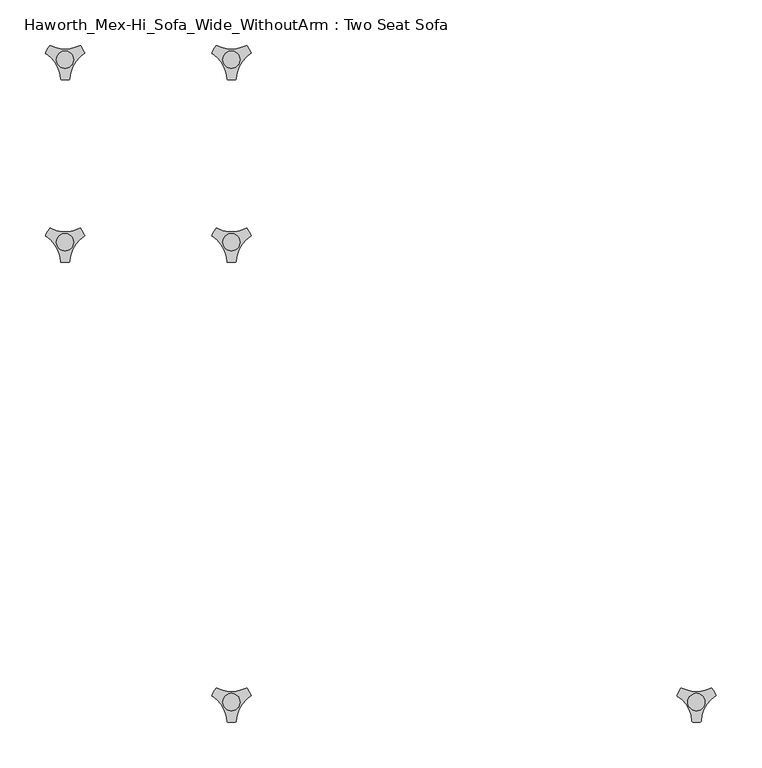
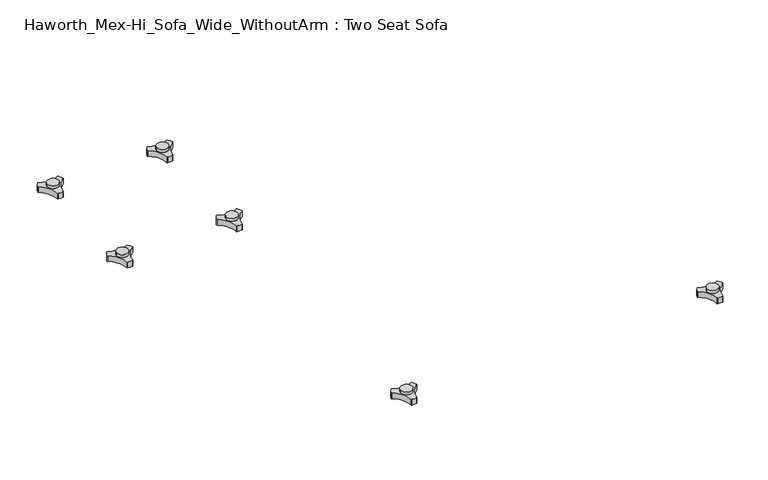
"""IFC4 building model written with IfcOpenShell, lengths in millimetres: furniture geometry, Haworth_Mex-Hi_Sofa_Wide_WithoutArm : Two Seat Sofa."""

from ifc_helpers import new_model, si_unit, frame, origin, place, context, project, spatial, polyline, circle_curve, source, transform, mapped, element, save
from ifc_brep_helpers import plane_surface, cylinder_surface, revolved_surface, advanced_brep


def haworth_mex_hi_sofa_wide_withoutarm_two_seat_sofa_53b7d27d(model_context):
    return source(origin(), model_context, "Body", "AdvancedBrep", [
        advanced_brep(
        [(883.5433829, -633.9963447, 98.611642), (879.3207947, -641.3100819, 98.611642), (879.7187435, -642.4761133, 98.611642), (895.5380143, -669.8758983, 98.611642), (896.3488478, -670.8035397, 98.611642), (904.7940264, -670.8035397, 98.611642), (905.5985546, -669.7137583, 98.611642), (921.7008076, -642.2119553, 98.611642), (921.8220847, -641.3100836, 98.611642), (917.5994947, -633.9963432, 98.611642), (916.3907113, -633.7579584, 98.611642), (884.7521628, -633.7579584, 98.611642), (909.9443136, -648.9168654, 98.611642), (891.0393017, -648.9168654, 98.611642), (883.5433829, -633.9963447, 88.6531552), (884.7521628, -633.7579584, 88.6531552), (916.3907113, -633.7579584, 88.6531552), (917.5994947, -633.9963432, 88.6531552), (921.8220847, -641.3100836, 88.6531552), (921.7008076, -642.2119553, 88.6531552), (905.5985546, -669.7137583, 88.6531552), (904.7940264, -670.8035397, 88.6531552), (896.3488478, -670.8035397, 88.6531552), (895.5380143, -669.8758983, 88.6531552), (879.7187435, -642.4761133, 88.6531552), (879.3207947, -641.3100819, 88.6531552), (891.0393017, -648.9168654, 103.6569541), (909.9443136, -648.9168654, 103.6569541)],
        [
            (0, 1, circle_curve(frame((901.8028709, -649.4142898, 98.611642), z_axis=(0.0, 0.0, 1.0), x_axis=(1.0, 0.0, 0.0)), 23.8981576)),
            (1, 2, circle_curve(frame((880.2483533, -641.6444428, 98.611642), z_axis=(0.0, 0.0, 1.0), x_axis=(1.0, 0.0, 0.0)), 0.9859828)),
            (2, 3, circle_curve(frame((861.3233736, -671.3632053, 98.611642), z_axis=(0.0, 0.0, -1.0), x_axis=(1.0, 0.0, 0.0)), 34.246952)),
            (3, 4, circle_curve(frame((896.5230576, -669.8330785, 98.611642), z_axis=(0.0, 0.0, 1.0), x_axis=(1.0, 0.0, 0.0)), 0.9859736)),
            (4, 5, circle_curve(frame((900.5714371, -647.2809943, 98.611642), z_axis=(0.0, 0.0, 1.0), x_axis=(1.0, 0.0, 0.0)), 23.8985439)),
            (5, 6, circle_curve(frame((904.6198145, -669.8330671, 98.611642), z_axis=(0.0, 0.0, 1.0), x_axis=(1.0, 0.0, 0.0)), 0.9859852)),
            (6, 7, circle_curve(frame((939.8202282, -671.285662, 98.611642), z_axis=(0.0, 0.0, -1.0), x_axis=(1.0, 0.0, 0.0)), 34.2577557)),
            (7, 8, circle_curve(frame((920.8945232, -641.644442, 98.611642), z_axis=(0.0, 0.0, 1.0), x_axis=(1.0, 0.0, 0.0)), 0.9859847)),
            (8, 9, circle_curve(frame((899.3403943, -649.4140667, 98.611642), z_axis=(0.0, 0.0, 1.0), x_axis=(1.0, 0.0, 0.0)), 23.8977184)),
            (9, 10, circle_curve(frame((916.8461485, -634.632458, 98.611642), z_axis=(0.0, 0.0, 1.0), x_axis=(1.0, 0.0, 0.0)), 0.9859881)),
            (10, 11, circle_curve(frame((900.5714371, -603.3828618, 98.611642), z_axis=(0.0, 0.0, -1.0), x_axis=(1.0, 0.0, 0.0)), 34.2475683)),
            (11, 0, circle_curve(frame((884.2967278, -634.632454, 98.611642), z_axis=(0.0, 0.0, 1.0), x_axis=(1.0, 0.0, 0.0)), 0.9859835)),
            (12, 13, circle_curve(frame((900.4918076, -648.9168654, 98.611642), z_axis=(0.0, 0.0, -1.0), x_axis=(1.0, 0.0, 0.0)), 9.452506)),
            (13, 12, circle_curve(frame((900.4918076, -648.9168654, 98.611642), z_axis=(0.0, 0.0, -1.0), x_axis=(1.0, 0.0, 0.0)), 9.452506)),
            (14, 15, circle_curve(frame((884.2967278, -634.632454, 88.6531552), z_axis=(0.0, 0.0, -1.0), x_axis=(1.0, 0.0, 0.0)), 0.9859835)),
            (15, 16, circle_curve(frame((900.5714371, -603.3828618, 88.6531552), z_axis=(0.0, 0.0, 1.0), x_axis=(1.0, 0.0, 0.0)), 34.2475683)),
            (16, 17, circle_curve(frame((916.8461485, -634.632458, 88.6531552), z_axis=(0.0, 0.0, -1.0), x_axis=(1.0, 0.0, 0.0)), 0.9859881)),
            (17, 18, circle_curve(frame((899.3403943, -649.4140667, 88.6531552), z_axis=(0.0, 0.0, -1.0), x_axis=(1.0, 0.0, 0.0)), 23.8977184)),
            (18, 19, circle_curve(frame((920.8945232, -641.644442, 88.6531552), z_axis=(0.0, 0.0, -1.0), x_axis=(1.0, 0.0, 0.0)), 0.9859847)),
            (19, 20, circle_curve(frame((939.8202282, -671.285662, 88.6531552), z_axis=(0.0, 0.0, 1.0), x_axis=(1.0, 0.0, 0.0)), 34.2577557)),
            (20, 21, circle_curve(frame((904.6198145, -669.8330671, 88.6531552), z_axis=(0.0, 0.0, -1.0), x_axis=(1.0, 0.0, 0.0)), 0.9859852)),
            (21, 22, circle_curve(frame((900.5714371, -647.2809943, 88.6531552), z_axis=(0.0, 0.0, -1.0), x_axis=(1.0, 0.0, 0.0)), 23.8985439)),
            (22, 23, circle_curve(frame((896.5230576, -669.8330785, 88.6531552), z_axis=(0.0, 0.0, -1.0), x_axis=(1.0, 0.0, 0.0)), 0.9859736)),
            (23, 24, circle_curve(frame((861.3233736, -671.3632053, 88.6531552), z_axis=(0.0, 0.0, 1.0), x_axis=(1.0, 0.0, 0.0)), 34.246952)),
            (24, 25, circle_curve(frame((880.2483533, -641.6444428, 88.6531552), z_axis=(0.0, 0.0, -1.0), x_axis=(1.0, 0.0, 0.0)), 0.9859828)),
            (25, 14, circle_curve(frame((901.8028709, -649.4142898, 88.6531552), z_axis=(0.0, 0.0, -1.0), x_axis=(1.0, 0.0, 0.0)), 23.8981576)),
            (26, 27, circle_curve(frame((900.4918076, -648.9168654, 103.6569541), z_axis=(0.0, 0.0, 1.0), x_axis=(1.0, 0.0, 0.0)), 9.452506)),
            (27, 26, circle_curve(frame((900.4918076, -648.9168654, 103.6569541), z_axis=(0.0, 0.0, 1.0), x_axis=(1.0, 0.0, 0.0)), 9.452506)),
            (0, 14),
            (25, 1),
            (24, 2),
            (23, 3),
            (22, 4),
            (21, 5),
            (20, 6),
            (19, 7),
            (18, 8),
            (17, 9),
            (16, 10),
            (15, 11),
            (26, 13),
            (12, 27),
        ],
        [
            plane_surface(frame((925.7010285, -649.4142898, 98.611642), z_axis=(0.0, 0.0, 1.0), x_axis=(0.0, 1.0, 0.0))),
            plane_surface(frame((925.7010285, -649.4142898, 88.6531552), z_axis=(0.0, 0.0, -1.0), x_axis=(0.0, -1.0, 0.0))),
            plane_surface(frame((909.9443136, -648.9168654, 103.6569541), z_axis=(0.0, 0.0, 1.0), x_axis=(0.0, 1.0, 0.0))),
            cylinder_surface(frame((901.8028709, -649.4142898, 88.6531552), z_axis=(0.0, 0.0, 1.0), x_axis=(1.0, 0.0, 0.0)), 23.8981576),
            cylinder_surface(frame((880.2483533, -641.6444428, 88.6531552), z_axis=(0.0, 0.0, 1.0), x_axis=(1.0, 0.0, 0.0)), 0.9859828),
            revolved_surface(polyline([(895.5703255999999, -671.3632053, 88.6531552), (895.5703255999999, -671.3632053, 98.611642)]), (861.3233736, -671.3632053, 88.6531552), (0.0, 0.0, -1.0)),
            cylinder_surface(frame((896.5230576, -669.8330785, 88.6531552), z_axis=(0.0, 0.0, 1.0), x_axis=(1.0, 0.0, 0.0)), 0.9859736),
            cylinder_surface(frame((900.5714371, -647.2809943, 88.6531552), z_axis=(0.0, 0.0, 1.0), x_axis=(1.0, 0.0, 0.0)), 23.8985439),
            cylinder_surface(frame((904.6198145, -669.8330671, 88.6531552), z_axis=(0.0, 0.0, 1.0), x_axis=(1.0, 0.0, 0.0)), 0.9859852),
            revolved_surface(polyline([(974.0779838999999, -671.285662, 88.6531552), (974.0779838999999, -671.285662, 98.611642)]), (939.8202282, -671.285662, 88.6531552), (0.0, 0.0, -1.0)),
            cylinder_surface(frame((920.8945232, -641.644442, 88.6531552), z_axis=(0.0, 0.0, 1.0), x_axis=(1.0, 0.0, 0.0)), 0.9859847),
            cylinder_surface(frame((899.3403943, -649.4140667, 88.6531552), z_axis=(0.0, 0.0, 1.0), x_axis=(1.0, 0.0, 0.0)), 23.8977184),
            cylinder_surface(frame((916.8461485, -634.632458, 88.6531552), z_axis=(0.0, 0.0, 1.0), x_axis=(1.0, 0.0, 0.0)), 0.9859881),
            revolved_surface(polyline([(934.8190054, -603.3828618, 88.6531552), (934.8190054, -603.3828618, 98.611642)]), (900.5714371, -603.3828618, 88.6531552), (0.0, 0.0, -1.0)),
            cylinder_surface(frame((884.2967278, -634.632454, 88.6531552), z_axis=(0.0, 0.0, 1.0), x_axis=(1.0, 0.0, 0.0)), 0.9859835),
            cylinder_surface(frame((900.4918076, -648.9168654, 98.611642), z_axis=(0.0, 0.0, 1.0), x_axis=(1.0, 0.0, 0.0)), 9.452506),
        ],
        [
            (0, [[1, 2, 3, 4, 5, 6, 7, 8, 9, 10, 11, 12], [13, 14]]),
            (1, [[15, 16, 17, 18, 19, 20, 21, 22, 23, 24, 25, 26]]),
            (2, [[27, 28]]),
            (3, [[-1, 29, -26, 30]]),
            (4, [[-2, -30, -25, 31]]),
            (5, [[-3, -31, -24, 32]]),
            (6, [[-4, -32, -23, 33]]),
            (7, [[-5, -33, -22, 34]]),
            (8, [[-6, -34, -21, 35]]),
            (9, [[-7, -35, -20, 36]]),
            (10, [[-8, -36, -19, 37]]),
            (11, [[-9, -37, -18, 38]]),
            (12, [[-10, -38, -17, 39]]),
            (13, [[-11, -39, -16, 40]]),
            (14, [[-12, -40, -15, -29]]),
            (15, [[-27, 41, -13, 42]]),
            (15, [[-28, -42, -14, -41]]),
        ],
    ),
        advanced_brep(
        [(373.838792, -633.9963447, 98.611642), (369.6162038, -641.3100819, 98.611642), (370.0141527, -642.4761133, 98.611642), (385.8334234, -669.8758983, 98.611642), (386.6442569, -670.8035397, 98.611642), (395.0894355, -670.8035397, 98.611642), (395.8939637, -669.7137583, 98.611642), (411.9962168, -642.2119553, 98.611642), (412.1174938, -641.3100836, 98.611642), (407.8949039, -633.9963432, 98.611642), (406.6861204, -633.7579584, 98.611642), (375.047572, -633.7579584, 98.611642), (400.2397227, -648.9168654, 98.611642), (381.3347108, -648.9168654, 98.611642), (373.838792, -633.9963447, 88.6531552), (375.047572, -633.7579584, 88.6531552), (406.6861204, -633.7579584, 88.6531552), (407.8949039, -633.9963432, 88.6531552), (412.1174938, -641.3100836, 88.6531552), (411.9962168, -642.2119553, 88.6531552), (395.8939637, -669.7137583, 88.6531552), (395.0894355, -670.8035397, 88.6531552), (386.6442569, -670.8035397, 88.6531552), (385.8334234, -669.8758983, 88.6531552), (370.0141527, -642.4761133, 88.6531552), (369.6162038, -641.3100819, 88.6531552), (381.3347108, -648.9168654, 103.6569541), (400.2397227, -648.9168654, 103.6569541)],
        [
            (0, 1, circle_curve(frame((392.09828, -649.4142898, 98.611642), z_axis=(0.0, 0.0, 1.0), x_axis=(1.0, 0.0, 0.0)), 23.8981576)),
            (1, 2, circle_curve(frame((370.5437624, -641.6444428, 98.611642), z_axis=(0.0, 0.0, 1.0), x_axis=(1.0, 0.0, 0.0)), 0.9859828)),
            (2, 3, circle_curve(frame((351.6187827, -671.3632053, 98.611642), z_axis=(0.0, 0.0, -1.0), x_axis=(1.0, 0.0, 0.0)), 34.246952)),
            (3, 4, circle_curve(frame((386.8184668, -669.8330785, 98.611642), z_axis=(0.0, 0.0, 1.0), x_axis=(1.0, 0.0, 0.0)), 0.9859736)),
            (4, 5, circle_curve(frame((390.8668462, -647.2809943, 98.611642), z_axis=(0.0, 0.0, 1.0), x_axis=(1.0, 0.0, 0.0)), 23.8985439)),
            (5, 6, circle_curve(frame((394.9152236, -669.8330671, 98.611642), z_axis=(0.0, 0.0, 1.0), x_axis=(1.0, 0.0, 0.0)), 0.9859852)),
            (6, 7, circle_curve(frame((430.1156373, -671.285662, 98.611642), z_axis=(0.0, 0.0, -1.0), x_axis=(1.0, 0.0, 0.0)), 34.2577557)),
            (7, 8, circle_curve(frame((411.1899324, -641.644442, 98.611642), z_axis=(0.0, 0.0, 1.0), x_axis=(1.0, 0.0, 0.0)), 0.9859847)),
            (8, 9, circle_curve(frame((389.6358034, -649.4140667, 98.611642), z_axis=(0.0, 0.0, 1.0), x_axis=(1.0, 0.0, 0.0)), 23.8977184)),
            (9, 10, circle_curve(frame((407.1415576, -634.632458, 98.611642), z_axis=(0.0, 0.0, 1.0), x_axis=(1.0, 0.0, 0.0)), 0.9859881)),
            (10, 11, circle_curve(frame((390.8668462, -603.3828618, 98.611642), z_axis=(0.0, 0.0, -1.0), x_axis=(1.0, 0.0, 0.0)), 34.2475683)),
            (11, 0, circle_curve(frame((374.5921369, -634.632454, 98.611642), z_axis=(0.0, 0.0, 1.0), x_axis=(1.0, 0.0, 0.0)), 0.9859835)),
            (12, 13, circle_curve(frame((390.7872168, -648.9168654, 98.611642), z_axis=(0.0, 0.0, -1.0), x_axis=(1.0, 0.0, 0.0)), 9.452506)),
            (13, 12, circle_curve(frame((390.7872168, -648.9168654, 98.611642), z_axis=(0.0, 0.0, -1.0), x_axis=(1.0, 0.0, 0.0)), 9.452506)),
            (14, 15, circle_curve(frame((374.5921369, -634.632454, 88.6531552), z_axis=(0.0, 0.0, -1.0), x_axis=(1.0, 0.0, 0.0)), 0.9859835)),
            (15, 16, circle_curve(frame((390.8668462, -603.3828618, 88.6531552), z_axis=(0.0, 0.0, 1.0), x_axis=(1.0, 0.0, 0.0)), 34.2475683)),
            (16, 17, circle_curve(frame((407.1415576, -634.632458, 88.6531552), z_axis=(0.0, 0.0, -1.0), x_axis=(1.0, 0.0, 0.0)), 0.9859881)),
            (17, 18, circle_curve(frame((389.6358034, -649.4140667, 88.6531552), z_axis=(0.0, 0.0, -1.0), x_axis=(1.0, 0.0, 0.0)), 23.8977184)),
            (18, 19, circle_curve(frame((411.1899324, -641.644442, 88.6531552), z_axis=(0.0, 0.0, -1.0), x_axis=(1.0, 0.0, 0.0)), 0.9859847)),
            (19, 20, circle_curve(frame((430.1156373, -671.285662, 88.6531552), z_axis=(0.0, 0.0, 1.0), x_axis=(1.0, 0.0, 0.0)), 34.2577557)),
            (20, 21, circle_curve(frame((394.9152236, -669.8330671, 88.6531552), z_axis=(0.0, 0.0, -1.0), x_axis=(1.0, 0.0, 0.0)), 0.9859852)),
            (21, 22, circle_curve(frame((390.8668462, -647.2809943, 88.6531552), z_axis=(0.0, 0.0, -1.0), x_axis=(1.0, 0.0, 0.0)), 23.8985439)),
            (22, 23, circle_curve(frame((386.8184668, -669.8330785, 88.6531552), z_axis=(0.0, 0.0, -1.0), x_axis=(1.0, 0.0, 0.0)), 0.9859736)),
            (23, 24, circle_curve(frame((351.6187827, -671.3632053, 88.6531552), z_axis=(0.0, 0.0, 1.0), x_axis=(1.0, 0.0, 0.0)), 34.246952)),
            (24, 25, circle_curve(frame((370.5437624, -641.6444428, 88.6531552), z_axis=(0.0, 0.0, -1.0), x_axis=(1.0, 0.0, 0.0)), 0.9859828)),
            (25, 14, circle_curve(frame((392.09828, -649.4142898, 88.6531552), z_axis=(0.0, 0.0, -1.0), x_axis=(1.0, 0.0, 0.0)), 23.8981576)),
            (26, 27, circle_curve(frame((390.7872168, -648.9168654, 103.6569541), z_axis=(0.0, 0.0, 1.0), x_axis=(1.0, 0.0, 0.0)), 9.452506)),
            (27, 26, circle_curve(frame((390.7872168, -648.9168654, 103.6569541), z_axis=(0.0, 0.0, 1.0), x_axis=(1.0, 0.0, 0.0)), 9.452506)),
            (0, 14),
            (25, 1),
            (24, 2),
            (23, 3),
            (22, 4),
            (21, 5),
            (20, 6),
            (19, 7),
            (18, 8),
            (17, 9),
            (16, 10),
            (15, 11),
            (26, 13),
            (12, 27),
        ],
        [
            plane_surface(frame((415.9964377, -649.4142898, 98.611642), z_axis=(0.0, 0.0, 1.0), x_axis=(0.0, 1.0, 0.0))),
            plane_surface(frame((415.9964377, -649.4142898, 88.6531552), z_axis=(0.0, 0.0, -1.0), x_axis=(0.0, -1.0, 0.0))),
            plane_surface(frame((400.2397227, -648.9168654, 103.6569541), z_axis=(0.0, 0.0, 1.0), x_axis=(0.0, 1.0, 0.0))),
            cylinder_surface(frame((392.09828, -649.4142898, 88.6531552), z_axis=(0.0, 0.0, 1.0), x_axis=(1.0, 0.0, 0.0)), 23.8981576),
            cylinder_surface(frame((370.5437624, -641.6444428, 88.6531552), z_axis=(0.0, 0.0, 1.0), x_axis=(1.0, 0.0, 0.0)), 0.9859828),
            revolved_surface(polyline([(385.8657347, -671.3632053, 88.6531552), (385.8657347, -671.3632053, 98.611642)]), (351.6187827, -671.3632053, 88.6531552), (0.0, 0.0, -1.0)),
            cylinder_surface(frame((386.8184668, -669.8330785, 88.6531552), z_axis=(0.0, 0.0, 1.0), x_axis=(1.0, 0.0, 0.0)), 0.9859736),
            cylinder_surface(frame((390.8668462, -647.2809943, 88.6531552), z_axis=(0.0, 0.0, 1.0), x_axis=(1.0, 0.0, 0.0)), 23.8985439),
            cylinder_surface(frame((394.9152236, -669.8330671, 88.6531552), z_axis=(0.0, 0.0, 1.0), x_axis=(1.0, 0.0, 0.0)), 0.9859852),
            revolved_surface(polyline([(464.373393, -671.285662, 88.6531552), (464.373393, -671.285662, 98.611642)]), (430.1156373, -671.285662, 88.6531552), (0.0, 0.0, -1.0)),
            cylinder_surface(frame((411.1899324, -641.644442, 88.6531552), z_axis=(0.0, 0.0, 1.0), x_axis=(1.0, 0.0, 0.0)), 0.9859847),
            cylinder_surface(frame((389.6358034, -649.4140667, 88.6531552), z_axis=(0.0, 0.0, 1.0), x_axis=(1.0, 0.0, 0.0)), 23.8977184),
            cylinder_surface(frame((407.1415576, -634.632458, 88.6531552), z_axis=(0.0, 0.0, 1.0), x_axis=(1.0, 0.0, 0.0)), 0.9859881),
            revolved_surface(polyline([(425.1144145, -603.3828618, 88.6531552), (425.1144145, -603.3828618, 98.611642)]), (390.8668462, -603.3828618, 88.6531552), (0.0, 0.0, -1.0)),
            cylinder_surface(frame((374.5921369, -634.632454, 88.6531552), z_axis=(0.0, 0.0, 1.0), x_axis=(1.0, 0.0, 0.0)), 0.9859835),
            cylinder_surface(frame((390.7872168, -648.9168654, 98.611642), z_axis=(0.0, 0.0, 1.0), x_axis=(1.0, 0.0, 0.0)), 9.452506),
        ],
        [
            (0, [[1, 2, 3, 4, 5, 6, 7, 8, 9, 10, 11, 12], [13, 14]]),
            (1, [[15, 16, 17, 18, 19, 20, 21, 22, 23, 24, 25, 26]]),
            (2, [[27, 28]]),
            (3, [[-1, 29, -26, 30]]),
            (4, [[-2, -30, -25, 31]]),
            (5, [[-3, -31, -24, 32]]),
            (6, [[-4, -32, -23, 33]]),
            (7, [[-5, -33, -22, 34]]),
            (8, [[-6, -34, -21, 35]]),
            (9, [[-7, -35, -20, 36]]),
            (10, [[-8, -36, -19, 37]]),
            (11, [[-9, -37, -18, 38]]),
            (12, [[-10, -38, -17, 39]]),
            (13, [[-11, -39, -16, 40]]),
            (14, [[-12, -40, -15, -29]]),
            (15, [[-27, 41, -13, 42]]),
            (15, [[-28, -42, -14, -41]]),
        ],
    ),
        advanced_brep(
        [(373.838792, -130.2721038, 98.611642), (369.6162038, -137.585841, 98.611642), (370.0141527, -138.7518724, 98.611642), (385.8334234, -166.1516574, 98.611642), (386.6442569, -167.0792988, 98.611642), (395.0894355, -167.0792988, 98.611642), (395.8939637, -165.9895174, 98.611642), (411.9962168, -138.4877144, 98.611642), (412.1174938, -137.5858427, 98.611642), (407.8949039, -130.2721023, 98.611642), (406.6861204, -130.0337175, 98.611642), (375.047572, -130.0337175, 98.611642), (400.2397227, -145.1926245, 98.611642), (381.3347108, -145.1926245, 98.611642), (373.838792, -130.2721038, 88.6531552), (375.047572, -130.0337175, 88.6531552), (406.6861204, -130.0337175, 88.6531552), (407.8949039, -130.2721023, 88.6531552), (412.1174938, -137.5858427, 88.6531552), (411.9962168, -138.4877144, 88.6531552), (395.8939637, -165.9895174, 88.6531552), (395.0894355, -167.0792988, 88.6531552), (386.6442569, -167.0792988, 88.6531552), (385.8334234, -166.1516574, 88.6531552), (370.0141527, -138.7518724, 88.6531552), (369.6162038, -137.585841, 88.6531552), (381.3347108, -145.1926245, 103.6569541), (400.2397227, -145.1926245, 103.6569541)],
        [
            (0, 1, circle_curve(frame((392.09828, -145.690049, 98.611642), z_axis=(0.0, 0.0, 1.0), x_axis=(1.0, 0.0, 0.0)), 23.8981576)),
            (1, 2, circle_curve(frame((370.5437624, -137.920202, 98.611642), z_axis=(0.0, 0.0, 1.0), x_axis=(1.0, 0.0, 0.0)), 0.9859828)),
            (2, 3, circle_curve(frame((351.6187827, -167.6389644, 98.611642), z_axis=(0.0, 0.0, -1.0), x_axis=(1.0, 0.0, 0.0)), 34.246952)),
            (3, 4, circle_curve(frame((386.8184668, -166.1088376, 98.611642), z_axis=(0.0, 0.0, 1.0), x_axis=(1.0, 0.0, 0.0)), 0.9859736)),
            (4, 5, circle_curve(frame((390.8668462, -143.5567534, 98.611642), z_axis=(0.0, 0.0, 1.0), x_axis=(1.0, 0.0, 0.0)), 23.8985439)),
            (5, 6, circle_curve(frame((394.9152236, -166.1088262, 98.611642), z_axis=(0.0, 0.0, 1.0), x_axis=(1.0, 0.0, 0.0)), 0.9859852)),
            (6, 7, circle_curve(frame((430.1156373, -167.5614211, 98.611642), z_axis=(0.0, 0.0, -1.0), x_axis=(1.0, 0.0, 0.0)), 34.2577557)),
            (7, 8, circle_curve(frame((411.1899324, -137.9202011, 98.611642), z_axis=(0.0, 0.0, 1.0), x_axis=(1.0, 0.0, 0.0)), 0.9859847)),
            (8, 9, circle_curve(frame((389.6358034, -145.6898258, 98.611642), z_axis=(0.0, 0.0, 1.0), x_axis=(1.0, 0.0, 0.0)), 23.8977184)),
            (9, 10, circle_curve(frame((407.1415576, -130.9082171, 98.611642), z_axis=(0.0, 0.0, 1.0), x_axis=(1.0, 0.0, 0.0)), 0.9859881)),
            (10, 11, circle_curve(frame((390.8668462, -99.6586209, 98.611642), z_axis=(0.0, 0.0, -1.0), x_axis=(1.0, 0.0, 0.0)), 34.2475683)),
            (11, 0, circle_curve(frame((374.5921369, -130.9082131, 98.611642), z_axis=(0.0, 0.0, 1.0), x_axis=(1.0, 0.0, 0.0)), 0.9859835)),
            (12, 13, circle_curve(frame((390.7872168, -145.1926245, 98.611642), z_axis=(0.0, 0.0, -1.0), x_axis=(1.0, 0.0, 0.0)), 9.452506)),
            (13, 12, circle_curve(frame((390.7872168, -145.1926245, 98.611642), z_axis=(0.0, 0.0, -1.0), x_axis=(1.0, 0.0, 0.0)), 9.452506)),
            (14, 15, circle_curve(frame((374.5921369, -130.9082131, 88.6531552), z_axis=(0.0, 0.0, -1.0), x_axis=(1.0, 0.0, 0.0)), 0.9859835)),
            (15, 16, circle_curve(frame((390.8668462, -99.6586209, 88.6531552), z_axis=(0.0, 0.0, 1.0), x_axis=(1.0, 0.0, 0.0)), 34.2475683)),
            (16, 17, circle_curve(frame((407.1415576, -130.9082171, 88.6531552), z_axis=(0.0, 0.0, -1.0), x_axis=(1.0, 0.0, 0.0)), 0.9859881)),
            (17, 18, circle_curve(frame((389.6358034, -145.6898258, 88.6531552), z_axis=(0.0, 0.0, -1.0), x_axis=(1.0, 0.0, 0.0)), 23.8977184)),
            (18, 19, circle_curve(frame((411.1899324, -137.9202011, 88.6531552), z_axis=(0.0, 0.0, -1.0), x_axis=(1.0, 0.0, 0.0)), 0.9859847)),
            (19, 20, circle_curve(frame((430.1156373, -167.5614211, 88.6531552), z_axis=(0.0, 0.0, 1.0), x_axis=(1.0, 0.0, 0.0)), 34.2577557)),
            (20, 21, circle_curve(frame((394.9152236, -166.1088262, 88.6531552), z_axis=(0.0, 0.0, -1.0), x_axis=(1.0, 0.0, 0.0)), 0.9859852)),
            (21, 22, circle_curve(frame((390.8668462, -143.5567534, 88.6531552), z_axis=(0.0, 0.0, -1.0), x_axis=(1.0, 0.0, 0.0)), 23.8985439)),
            (22, 23, circle_curve(frame((386.8184668, -166.1088376, 88.6531552), z_axis=(0.0, 0.0, -1.0), x_axis=(1.0, 0.0, 0.0)), 0.9859736)),
            (23, 24, circle_curve(frame((351.6187827, -167.6389644, 88.6531552), z_axis=(0.0, 0.0, 1.0), x_axis=(1.0, 0.0, 0.0)), 34.246952)),
            (24, 25, circle_curve(frame((370.5437624, -137.920202, 88.6531552), z_axis=(0.0, 0.0, -1.0), x_axis=(1.0, 0.0, 0.0)), 0.9859828)),
            (25, 14, circle_curve(frame((392.09828, -145.690049, 88.6531552), z_axis=(0.0, 0.0, -1.0), x_axis=(1.0, 0.0, 0.0)), 23.8981576)),
            (26, 27, circle_curve(frame((390.7872168, -145.1926245, 103.6569541), z_axis=(0.0, 0.0, 1.0), x_axis=(1.0, 0.0, 0.0)), 9.452506)),
            (27, 26, circle_curve(frame((390.7872168, -145.1926245, 103.6569541), z_axis=(0.0, 0.0, 1.0), x_axis=(1.0, 0.0, 0.0)), 9.452506)),
            (0, 14),
            (25, 1),
            (24, 2),
            (23, 3),
            (22, 4),
            (21, 5),
            (20, 6),
            (19, 7),
            (18, 8),
            (17, 9),
            (16, 10),
            (15, 11),
            (26, 13),
            (12, 27),
        ],
        [
            plane_surface(frame((415.9964377, -145.690049, 98.611642), z_axis=(0.0, 0.0, 1.0), x_axis=(0.0, 1.0, 0.0))),
            plane_surface(frame((415.9964377, -145.690049, 88.6531552), z_axis=(0.0, 0.0, -1.0), x_axis=(0.0, -1.0, 0.0))),
            plane_surface(frame((400.2397227, -145.1926245, 103.6569541), z_axis=(0.0, 0.0, 1.0), x_axis=(0.0, 1.0, 0.0))),
            cylinder_surface(frame((392.09828, -145.690049, 88.6531552), z_axis=(0.0, 0.0, 1.0), x_axis=(1.0, 0.0, 0.0)), 23.8981576),
            cylinder_surface(frame((370.5437624, -137.920202, 88.6531552), z_axis=(0.0, 0.0, 1.0), x_axis=(1.0, 0.0, 0.0)), 0.9859828),
            revolved_surface(polyline([(385.8657347, -167.6389644, 88.6531552), (385.8657347, -167.6389644, 98.611642)]), (351.6187827, -167.6389644, 88.6531552), (0.0, 0.0, -1.0)),
            cylinder_surface(frame((386.8184668, -166.1088376, 88.6531552), z_axis=(0.0, 0.0, 1.0), x_axis=(1.0, 0.0, 0.0)), 0.9859736),
            cylinder_surface(frame((390.8668462, -143.5567534, 88.6531552), z_axis=(0.0, 0.0, 1.0), x_axis=(1.0, 0.0, 0.0)), 23.8985439),
            cylinder_surface(frame((394.9152236, -166.1088262, 88.6531552), z_axis=(0.0, 0.0, 1.0), x_axis=(1.0, 0.0, 0.0)), 0.9859852),
            revolved_surface(polyline([(464.373393, -167.5614211, 88.6531552), (464.373393, -167.5614211, 98.611642)]), (430.1156373, -167.5614211, 88.6531552), (0.0, 0.0, -1.0)),
            cylinder_surface(frame((411.1899324, -137.9202011, 88.6531552), z_axis=(0.0, 0.0, 1.0), x_axis=(1.0, 0.0, 0.0)), 0.9859847),
            cylinder_surface(frame((389.6358034, -145.6898258, 88.6531552), z_axis=(0.0, 0.0, 1.0), x_axis=(1.0, 0.0, 0.0)), 23.8977184),
            cylinder_surface(frame((407.1415576, -130.9082171, 88.6531552), z_axis=(0.0, 0.0, 1.0), x_axis=(1.0, 0.0, 0.0)), 0.9859881),
            revolved_surface(polyline([(425.1144145, -99.6586209, 88.6531552), (425.1144145, -99.6586209, 98.611642)]), (390.8668462, -99.6586209, 88.6531552), (0.0, 0.0, -1.0)),
            cylinder_surface(frame((374.5921369, -130.9082131, 88.6531552), z_axis=(0.0, 0.0, 1.0), x_axis=(1.0, 0.0, 0.0)), 0.9859835),
            cylinder_surface(frame((390.7872168, -145.1926245, 98.611642), z_axis=(0.0, 0.0, 1.0), x_axis=(1.0, 0.0, 0.0)), 9.452506),
        ],
        [
            (0, [[1, 2, 3, 4, 5, 6, 7, 8, 9, 10, 11, 12], [13, 14]]),
            (1, [[15, 16, 17, 18, 19, 20, 21, 22, 23, 24, 25, 26]]),
            (2, [[27, 28]]),
            (3, [[-1, 29, -26, 30]]),
            (4, [[-2, -30, -25, 31]]),
            (5, [[-3, -31, -24, 32]]),
            (6, [[-4, -32, -23, 33]]),
            (7, [[-5, -33, -22, 34]]),
            (8, [[-6, -34, -21, 35]]),
            (9, [[-7, -35, -20, 36]]),
            (10, [[-8, -36, -19, 37]]),
            (11, [[-9, -37, -18, 38]]),
            (12, [[-10, -38, -17, 39]]),
            (13, [[-11, -39, -16, 40]]),
            (14, [[-12, -40, -15, -29]]),
            (15, [[-27, 41, -13, 42]]),
            (15, [[-28, -42, -14, -41]]),
        ],
    ),
        advanced_brep(
        [(373.838792, 69.7278978, 98.611642), (369.6162038, 62.4141605, 98.611642), (370.0141527, 61.2481292, 98.611642), (385.8334234, 33.8483441, 98.611642), (386.6442569, 32.9207027, 98.611642), (395.0894355, 32.9207027, 98.611642), (395.8939637, 34.0104841, 98.611642), (411.9962168, 61.5122871, 98.611642), (412.1174938, 62.4141588, 98.611642), (407.8949039, 69.7278992, 98.611642), (406.6861204, 69.966284, 98.611642), (375.047572, 69.966284, 98.611642), (400.2397227, 54.807377, 98.611642), (381.3347108, 54.807377, 98.611642), (373.838792, 69.7278978, 88.6531552), (375.047572, 69.966284, 88.6531552), (406.6861204, 69.966284, 88.6531552), (407.8949039, 69.7278992, 88.6531552), (412.1174938, 62.4141588, 88.6531552), (411.9962168, 61.5122871, 88.6531552), (395.8939637, 34.0104841, 88.6531552), (395.0894355, 32.9207027, 88.6531552), (386.6442569, 32.9207027, 88.6531552), (385.8334234, 33.8483441, 88.6531552), (370.0141527, 61.2481292, 88.6531552), (369.6162038, 62.4141605, 88.6531552), (381.3347108, 54.807377, 103.6569541), (400.2397227, 54.807377, 103.6569541)],
        [
            (0, 1, circle_curve(frame((392.09828, 54.3099526, 98.611642), z_axis=(0.0, 0.0, 1.0), x_axis=(1.0, 0.0, 0.0)), 23.8981576)),
            (1, 2, circle_curve(frame((370.5437624, 62.0797996, 98.611642), z_axis=(0.0, 0.0, 1.0), x_axis=(1.0, 0.0, 0.0)), 0.9859828)),
            (2, 3, circle_curve(frame((351.6187827, 32.3610372, 98.611642), z_axis=(0.0, 0.0, -1.0), x_axis=(1.0, 0.0, 0.0)), 34.246952)),
            (3, 4, circle_curve(frame((386.8184668, 33.8911639, 98.611642), z_axis=(0.0, 0.0, 1.0), x_axis=(1.0, 0.0, 0.0)), 0.9859736)),
            (4, 5, circle_curve(frame((390.8668462, 56.4432481, 98.611642), z_axis=(0.0, 0.0, 1.0), x_axis=(1.0, 0.0, 0.0)), 23.8985439)),
            (5, 6, circle_curve(frame((394.9152236, 33.8911753, 98.611642), z_axis=(0.0, 0.0, 1.0), x_axis=(1.0, 0.0, 0.0)), 0.9859852)),
            (6, 7, circle_curve(frame((430.1156373, 32.4385804, 98.611642), z_axis=(0.0, 0.0, -1.0), x_axis=(1.0, 0.0, 0.0)), 34.2577557)),
            (7, 8, circle_curve(frame((411.1899324, 62.0798004, 98.611642), z_axis=(0.0, 0.0, 1.0), x_axis=(1.0, 0.0, 0.0)), 0.9859847)),
            (8, 9, circle_curve(frame((389.6358034, 54.3101757, 98.611642), z_axis=(0.0, 0.0, 1.0), x_axis=(1.0, 0.0, 0.0)), 23.8977184)),
            (9, 10, circle_curve(frame((407.1415576, 69.0917844, 98.611642), z_axis=(0.0, 0.0, 1.0), x_axis=(1.0, 0.0, 0.0)), 0.9859881)),
            (10, 11, circle_curve(frame((390.8668462, 100.3413806, 98.611642), z_axis=(0.0, 0.0, -1.0), x_axis=(1.0, 0.0, 0.0)), 34.2475683)),
            (11, 0, circle_curve(frame((374.5921369, 69.0917885, 98.611642), z_axis=(0.0, 0.0, 1.0), x_axis=(1.0, 0.0, 0.0)), 0.9859835)),
            (12, 13, circle_curve(frame((390.7872168, 54.807377, 98.611642), z_axis=(0.0, 0.0, -1.0), x_axis=(1.0, 0.0, 0.0)), 9.452506)),
            (13, 12, circle_curve(frame((390.7872168, 54.807377, 98.611642), z_axis=(0.0, 0.0, -1.0), x_axis=(1.0, 0.0, 0.0)), 9.452506)),
            (14, 15, circle_curve(frame((374.5921369, 69.0917885, 88.6531552), z_axis=(0.0, 0.0, -1.0), x_axis=(1.0, 0.0, 0.0)), 0.9859835)),
            (15, 16, circle_curve(frame((390.8668462, 100.3413806, 88.6531552), z_axis=(0.0, 0.0, 1.0), x_axis=(1.0, 0.0, 0.0)), 34.2475683)),
            (16, 17, circle_curve(frame((407.1415576, 69.0917844, 88.6531552), z_axis=(0.0, 0.0, -1.0), x_axis=(1.0, 0.0, 0.0)), 0.9859881)),
            (17, 18, circle_curve(frame((389.6358034, 54.3101757, 88.6531552), z_axis=(0.0, 0.0, -1.0), x_axis=(1.0, 0.0, 0.0)), 23.8977184)),
            (18, 19, circle_curve(frame((411.1899324, 62.0798004, 88.6531552), z_axis=(0.0, 0.0, -1.0), x_axis=(1.0, 0.0, 0.0)), 0.9859847)),
            (19, 20, circle_curve(frame((430.1156373, 32.4385804, 88.6531552), z_axis=(0.0, 0.0, 1.0), x_axis=(1.0, 0.0, 0.0)), 34.2577557)),
            (20, 21, circle_curve(frame((394.9152236, 33.8911753, 88.6531552), z_axis=(0.0, 0.0, -1.0), x_axis=(1.0, 0.0, 0.0)), 0.9859852)),
            (21, 22, circle_curve(frame((390.8668462, 56.4432481, 88.6531552), z_axis=(0.0, 0.0, -1.0), x_axis=(1.0, 0.0, 0.0)), 23.8985439)),
            (22, 23, circle_curve(frame((386.8184668, 33.8911639, 88.6531552), z_axis=(0.0, 0.0, -1.0), x_axis=(1.0, 0.0, 0.0)), 0.9859736)),
            (23, 24, circle_curve(frame((351.6187827, 32.3610372, 88.6531552), z_axis=(0.0, 0.0, 1.0), x_axis=(1.0, 0.0, 0.0)), 34.246952)),
            (24, 25, circle_curve(frame((370.5437624, 62.0797996, 88.6531552), z_axis=(0.0, 0.0, -1.0), x_axis=(1.0, 0.0, 0.0)), 0.9859828)),
            (25, 14, circle_curve(frame((392.09828, 54.3099526, 88.6531552), z_axis=(0.0, 0.0, -1.0), x_axis=(1.0, 0.0, 0.0)), 23.8981576)),
            (26, 27, circle_curve(frame((390.7872168, 54.807377, 103.6569541), z_axis=(0.0, 0.0, 1.0), x_axis=(1.0, 0.0, 0.0)), 9.452506)),
            (27, 26, circle_curve(frame((390.7872168, 54.807377, 103.6569541), z_axis=(0.0, 0.0, 1.0), x_axis=(1.0, 0.0, 0.0)), 9.452506)),
            (0, 14),
            (25, 1),
            (24, 2),
            (23, 3),
            (22, 4),
            (21, 5),
            (20, 6),
            (19, 7),
            (18, 8),
            (17, 9),
            (16, 10),
            (15, 11),
            (26, 13),
            (12, 27),
        ],
        [
            plane_surface(frame((415.9964377, 54.3099526, 98.611642), z_axis=(0.0, 0.0, 1.0), x_axis=(0.0, 1.0, 0.0))),
            plane_surface(frame((415.9964377, 54.3099526, 88.6531552), z_axis=(0.0, 0.0, -1.0), x_axis=(0.0, -1.0, 0.0))),
            plane_surface(frame((400.2397227, 54.807377, 103.6569541), z_axis=(0.0, 0.0, 1.0), x_axis=(0.0, 1.0, 0.0))),
            cylinder_surface(frame((392.09828, 54.3099526, 88.6531552), z_axis=(0.0, 0.0, 1.0), x_axis=(1.0, 0.0, 0.0)), 23.8981576),
            cylinder_surface(frame((370.5437624, 62.0797996, 88.6531552), z_axis=(0.0, 0.0, 1.0), x_axis=(1.0, 0.0, 0.0)), 0.9859828),
            revolved_surface(polyline([(385.8657347, 32.3610372, 88.6531552), (385.8657347, 32.3610372, 98.611642)]), (351.6187827, 32.3610372, 88.6531552), (0.0, 0.0, -1.0)),
            cylinder_surface(frame((386.8184668, 33.8911639, 88.6531552), z_axis=(0.0, 0.0, 1.0), x_axis=(1.0, 0.0, 0.0)), 0.9859736),
            cylinder_surface(frame((390.8668462, 56.4432481, 88.6531552), z_axis=(0.0, 0.0, 1.0), x_axis=(1.0, 0.0, 0.0)), 23.8985439),
            cylinder_surface(frame((394.9152236, 33.8911753, 88.6531552), z_axis=(0.0, 0.0, 1.0), x_axis=(1.0, 0.0, 0.0)), 0.9859852),
            revolved_surface(polyline([(464.373393, 32.4385804, 88.6531552), (464.373393, 32.4385804, 98.611642)]), (430.1156373, 32.4385804, 88.6531552), (0.0, 0.0, -1.0)),
            cylinder_surface(frame((411.1899324, 62.0798004, 88.6531552), z_axis=(0.0, 0.0, 1.0), x_axis=(1.0, 0.0, 0.0)), 0.9859847),
            cylinder_surface(frame((389.6358034, 54.3101757, 88.6531552), z_axis=(0.0, 0.0, 1.0), x_axis=(1.0, 0.0, 0.0)), 23.8977184),
            cylinder_surface(frame((407.1415576, 69.0917844, 88.6531552), z_axis=(0.0, 0.0, 1.0), x_axis=(1.0, 0.0, 0.0)), 0.9859881),
            revolved_surface(polyline([(425.1144145, 100.3413806, 88.6531552), (425.1144145, 100.3413806, 98.611642)]), (390.8668462, 100.3413806, 88.6531552), (0.0, 0.0, -1.0)),
            cylinder_surface(frame((374.5921369, 69.0917885, 88.6531552), z_axis=(0.0, 0.0, 1.0), x_axis=(1.0, 0.0, 0.0)), 0.9859835),
            cylinder_surface(frame((390.7872168, 54.807377, 98.611642), z_axis=(0.0, 0.0, 1.0), x_axis=(1.0, 0.0, 0.0)), 9.452506),
        ],
        [
            (0, [[1, 2, 3, 4, 5, 6, 7, 8, 9, 10, 11, 12], [13, 14]]),
            (1, [[15, 16, 17, 18, 19, 20, 21, 22, 23, 24, 25, 26]]),
            (2, [[27, 28]]),
            (3, [[-1, 29, -26, 30]]),
            (4, [[-2, -30, -25, 31]]),
            (5, [[-3, -31, -24, 32]]),
            (6, [[-4, -32, -23, 33]]),
            (7, [[-5, -33, -22, 34]]),
            (8, [[-6, -34, -21, 35]]),
            (9, [[-7, -35, -20, 36]]),
            (10, [[-8, -36, -19, 37]]),
            (11, [[-9, -37, -18, 38]]),
            (12, [[-10, -38, -17, 39]]),
            (13, [[-11, -39, -16, 40]]),
            (14, [[-12, -40, -15, -29]]),
            (15, [[-27, 41, -13, 42]]),
            (15, [[-28, -42, -14, -41]]),
        ],
    ),
        advanced_brep(
        [(191.4388063, 69.7278978, 98.611642), (187.2162181, 62.4141605, 98.611642), (187.614167, 61.2481292, 98.611642), (203.4334377, 33.8483441, 98.611642), (204.2442712, 32.9207027, 98.611642), (212.6894498, 32.9207027, 98.611642), (213.493978, 34.0104841, 98.611642), (229.5962311, 61.5122871, 98.611642), (229.7175081, 62.4141588, 98.611642), (225.4949182, 69.7278992, 98.611642), (224.2861347, 69.966284, 98.611642), (192.6475863, 69.966284, 98.611642), (217.839737, 54.807377, 98.611642), (198.9347251, 54.807377, 98.611642), (191.4388063, 69.7278978, 88.6531552), (192.6475863, 69.966284, 88.6531552), (224.2861347, 69.966284, 88.6531552), (225.4949182, 69.7278992, 88.6531552), (229.7175081, 62.4141588, 88.6531552), (229.5962311, 61.5122871, 88.6531552), (213.493978, 34.0104841, 88.6531552), (212.6894498, 32.9207027, 88.6531552), (204.2442712, 32.9207027, 88.6531552), (203.4334377, 33.8483441, 88.6531552), (187.614167, 61.2481292, 88.6531552), (187.2162181, 62.4141605, 88.6531552), (198.9347251, 54.807377, 103.6569541), (217.839737, 54.807377, 103.6569541)],
        [
            (0, 1, circle_curve(frame((209.6982944, 54.3099526, 98.611642), z_axis=(0.0, 0.0, 1.0), x_axis=(1.0, 0.0, 0.0)), 23.8981576)),
            (1, 2, circle_curve(frame((188.1437767, 62.0797996, 98.611642), z_axis=(0.0, 0.0, 1.0), x_axis=(1.0, 0.0, 0.0)), 0.9859828)),
            (2, 3, circle_curve(frame((169.218797, 32.3610372, 98.611642), z_axis=(0.0, 0.0, -1.0), x_axis=(1.0, 0.0, 0.0)), 34.246952)),
            (3, 4, circle_curve(frame((204.4184811, 33.8911639, 98.611642), z_axis=(0.0, 0.0, 1.0), x_axis=(1.0, 0.0, 0.0)), 0.9859736)),
            (4, 5, circle_curve(frame((208.4668605, 56.4432481, 98.611642), z_axis=(0.0, 0.0, 1.0), x_axis=(1.0, 0.0, 0.0)), 23.8985439)),
            (5, 6, circle_curve(frame((212.5152379, 33.8911753, 98.611642), z_axis=(0.0, 0.0, 1.0), x_axis=(1.0, 0.0, 0.0)), 0.9859852)),
            (6, 7, circle_curve(frame((247.7156517, 32.4385804, 98.611642), z_axis=(0.0, 0.0, -1.0), x_axis=(1.0, 0.0, 0.0)), 34.2577557)),
            (7, 8, circle_curve(frame((228.7899467, 62.0798004, 98.611642), z_axis=(0.0, 0.0, 1.0), x_axis=(1.0, 0.0, 0.0)), 0.9859847)),
            (8, 9, circle_curve(frame((207.2358178, 54.3101757, 98.611642), z_axis=(0.0, 0.0, 1.0), x_axis=(1.0, 0.0, 0.0)), 23.8977184)),
            (9, 10, circle_curve(frame((224.7415719, 69.0917844, 98.611642), z_axis=(0.0, 0.0, 1.0), x_axis=(1.0, 0.0, 0.0)), 0.9859881)),
            (10, 11, circle_curve(frame((208.4668605, 100.3413806, 98.611642), z_axis=(0.0, 0.0, -1.0), x_axis=(1.0, 0.0, 0.0)), 34.2475683)),
            (11, 0, circle_curve(frame((192.1921512, 69.0917885, 98.611642), z_axis=(0.0, 0.0, 1.0), x_axis=(1.0, 0.0, 0.0)), 0.9859835)),
            (12, 13, circle_curve(frame((208.3872311, 54.807377, 98.611642), z_axis=(0.0, 0.0, -1.0), x_axis=(1.0, 0.0, 0.0)), 9.452506)),
            (13, 12, circle_curve(frame((208.3872311, 54.807377, 98.611642), z_axis=(0.0, 0.0, -1.0), x_axis=(1.0, 0.0, 0.0)), 9.452506)),
            (14, 15, circle_curve(frame((192.1921512, 69.0917885, 88.6531552), z_axis=(0.0, 0.0, -1.0), x_axis=(1.0, 0.0, 0.0)), 0.9859835)),
            (15, 16, circle_curve(frame((208.4668605, 100.3413806, 88.6531552), z_axis=(0.0, 0.0, 1.0), x_axis=(1.0, 0.0, 0.0)), 34.2475683)),
            (16, 17, circle_curve(frame((224.7415719, 69.0917844, 88.6531552), z_axis=(0.0, 0.0, -1.0), x_axis=(1.0, 0.0, 0.0)), 0.9859881)),
            (17, 18, circle_curve(frame((207.2358178, 54.3101757, 88.6531552), z_axis=(0.0, 0.0, -1.0), x_axis=(1.0, 0.0, 0.0)), 23.8977184)),
            (18, 19, circle_curve(frame((228.7899467, 62.0798004, 88.6531552), z_axis=(0.0, 0.0, -1.0), x_axis=(1.0, 0.0, 0.0)), 0.9859847)),
            (19, 20, circle_curve(frame((247.7156517, 32.4385804, 88.6531552), z_axis=(0.0, 0.0, 1.0), x_axis=(1.0, 0.0, 0.0)), 34.2577557)),
            (20, 21, circle_curve(frame((212.5152379, 33.8911753, 88.6531552), z_axis=(0.0, 0.0, -1.0), x_axis=(1.0, 0.0, 0.0)), 0.9859852)),
            (21, 22, circle_curve(frame((208.4668605, 56.4432481, 88.6531552), z_axis=(0.0, 0.0, -1.0), x_axis=(1.0, 0.0, 0.0)), 23.8985439)),
            (22, 23, circle_curve(frame((204.4184811, 33.8911639, 88.6531552), z_axis=(0.0, 0.0, -1.0), x_axis=(1.0, 0.0, 0.0)), 0.9859736)),
            (23, 24, circle_curve(frame((169.218797, 32.3610372, 88.6531552), z_axis=(0.0, 0.0, 1.0), x_axis=(1.0, 0.0, 0.0)), 34.246952)),
            (24, 25, circle_curve(frame((188.1437767, 62.0797996, 88.6531552), z_axis=(0.0, 0.0, -1.0), x_axis=(1.0, 0.0, 0.0)), 0.9859828)),
            (25, 14, circle_curve(frame((209.6982944, 54.3099526, 88.6531552), z_axis=(0.0, 0.0, -1.0), x_axis=(1.0, 0.0, 0.0)), 23.8981576)),
            (26, 27, circle_curve(frame((208.3872311, 54.807377, 103.6569541), z_axis=(0.0, 0.0, 1.0), x_axis=(1.0, 0.0, 0.0)), 9.452506)),
            (27, 26, circle_curve(frame((208.3872311, 54.807377, 103.6569541), z_axis=(0.0, 0.0, 1.0), x_axis=(1.0, 0.0, 0.0)), 9.452506)),
            (0, 14),
            (25, 1),
            (24, 2),
            (23, 3),
            (22, 4),
            (21, 5),
            (20, 6),
            (19, 7),
            (18, 8),
            (17, 9),
            (16, 10),
            (15, 11),
            (26, 13),
            (12, 27),
        ],
        [
            plane_surface(frame((233.596452, 54.3099526, 98.611642), z_axis=(0.0, 0.0, 1.0), x_axis=(0.0, 1.0, 0.0))),
            plane_surface(frame((233.596452, 54.3099526, 88.6531552), z_axis=(0.0, 0.0, -1.0), x_axis=(0.0, -1.0, 0.0))),
            plane_surface(frame((217.839737, 54.807377, 103.6569541), z_axis=(0.0, 0.0, 1.0), x_axis=(0.0, 1.0, 0.0))),
            cylinder_surface(frame((209.6982944, 54.3099526, 88.6531552), z_axis=(0.0, 0.0, 1.0), x_axis=(1.0, 0.0, 0.0)), 23.8981576),
            cylinder_surface(frame((188.1437767, 62.0797996, 88.6531552), z_axis=(0.0, 0.0, 1.0), x_axis=(1.0, 0.0, 0.0)), 0.9859828),
            revolved_surface(polyline([(203.465749, 32.3610372, 88.6531552), (203.465749, 32.3610372, 98.611642)]), (169.218797, 32.3610372, 88.6531552), (0.0, 0.0, -1.0)),
            cylinder_surface(frame((204.4184811, 33.8911639, 88.6531552), z_axis=(0.0, 0.0, 1.0), x_axis=(1.0, 0.0, 0.0)), 0.9859736),
            cylinder_surface(frame((208.4668605, 56.4432481, 88.6531552), z_axis=(0.0, 0.0, 1.0), x_axis=(1.0, 0.0, 0.0)), 23.8985439),
            cylinder_surface(frame((212.5152379, 33.8911753, 88.6531552), z_axis=(0.0, 0.0, 1.0), x_axis=(1.0, 0.0, 0.0)), 0.9859852),
            revolved_surface(polyline([(281.9734074, 32.4385804, 88.6531552), (281.9734074, 32.4385804, 98.611642)]), (247.7156517, 32.4385804, 88.6531552), (0.0, 0.0, -1.0)),
            cylinder_surface(frame((228.7899467, 62.0798004, 88.6531552), z_axis=(0.0, 0.0, 1.0), x_axis=(1.0, 0.0, 0.0)), 0.9859847),
            cylinder_surface(frame((207.2358178, 54.3101757, 88.6531552), z_axis=(0.0, 0.0, 1.0), x_axis=(1.0, 0.0, 0.0)), 23.8977184),
            cylinder_surface(frame((224.7415719, 69.0917844, 88.6531552), z_axis=(0.0, 0.0, 1.0), x_axis=(1.0, 0.0, 0.0)), 0.9859881),
            revolved_surface(polyline([(242.7144288, 100.3413806, 88.6531552), (242.7144288, 100.3413806, 98.611642)]), (208.4668605, 100.3413806, 88.6531552), (0.0, 0.0, -1.0)),
            cylinder_surface(frame((192.1921512, 69.0917885, 88.6531552), z_axis=(0.0, 0.0, 1.0), x_axis=(1.0, 0.0, 0.0)), 0.9859835),
            cylinder_surface(frame((208.3872311, 54.807377, 98.611642), z_axis=(0.0, 0.0, 1.0), x_axis=(1.0, 0.0, 0.0)), 9.452506),
        ],
        [
            (0, [[1, 2, 3, 4, 5, 6, 7, 8, 9, 10, 11, 12], [13, 14]]),
            (1, [[15, 16, 17, 18, 19, 20, 21, 22, 23, 24, 25, 26]]),
            (2, [[27, 28]]),
            (3, [[-1, 29, -26, 30]]),
            (4, [[-2, -30, -25, 31]]),
            (5, [[-3, -31, -24, 32]]),
            (6, [[-4, -32, -23, 33]]),
            (7, [[-5, -33, -22, 34]]),
            (8, [[-6, -34, -21, 35]]),
            (9, [[-7, -35, -20, 36]]),
            (10, [[-8, -36, -19, 37]]),
            (11, [[-9, -37, -18, 38]]),
            (12, [[-10, -38, -17, 39]]),
            (13, [[-11, -39, -16, 40]]),
            (14, [[-12, -40, -15, -29]]),
            (15, [[-27, 41, -13, 42]]),
            (15, [[-28, -42, -14, -41]]),
        ],
    ),
        advanced_brep(
        [(191.4388063, -130.2721038, 98.611642), (187.2162181, -137.585841, 98.611642), (187.614167, -138.7518724, 98.611642), (203.4334377, -166.1516574, 98.611642), (204.2442712, -167.0792988, 98.611642), (212.6894498, -167.0792988, 98.611642), (213.493978, -165.9895174, 98.611642), (229.5962311, -138.4877144, 98.611642), (229.7175081, -137.5858427, 98.611642), (225.4949182, -130.2721023, 98.611642), (224.2861347, -130.0337175, 98.611642), (192.6475863, -130.0337175, 98.611642), (217.839737, -145.1926245, 98.611642), (198.9347251, -145.1926245, 98.611642), (191.4388063, -130.2721038, 88.6531552), (192.6475863, -130.0337175, 88.6531552), (224.2861347, -130.0337175, 88.6531552), (225.4949182, -130.2721023, 88.6531552), (229.7175081, -137.5858427, 88.6531552), (229.5962311, -138.4877144, 88.6531552), (213.493978, -165.9895174, 88.6531552), (212.6894498, -167.0792988, 88.6531552), (204.2442712, -167.0792988, 88.6531552), (203.4334377, -166.1516574, 88.6531552), (187.614167, -138.7518724, 88.6531552), (187.2162181, -137.585841, 88.6531552), (198.9347251, -145.1926245, 103.6569541), (217.839737, -145.1926245, 103.6569541)],
        [
            (0, 1, circle_curve(frame((209.6982944, -145.690049, 98.611642), z_axis=(0.0, 0.0, 1.0), x_axis=(1.0, 0.0, 0.0)), 23.8981576)),
            (1, 2, circle_curve(frame((188.1437767, -137.920202, 98.611642), z_axis=(0.0, 0.0, 1.0), x_axis=(1.0, 0.0, 0.0)), 0.9859828)),
            (2, 3, circle_curve(frame((169.218797, -167.6389644, 98.611642), z_axis=(0.0, 0.0, -1.0), x_axis=(1.0, 0.0, 0.0)), 34.246952)),
            (3, 4, circle_curve(frame((204.4184811, -166.1088376, 98.611642), z_axis=(0.0, 0.0, 1.0), x_axis=(1.0, 0.0, 0.0)), 0.9859736)),
            (4, 5, circle_curve(frame((208.4668605, -143.5567534, 98.611642), z_axis=(0.0, 0.0, 1.0), x_axis=(1.0, 0.0, 0.0)), 23.8985439)),
            (5, 6, circle_curve(frame((212.5152379, -166.1088262, 98.611642), z_axis=(0.0, 0.0, 1.0), x_axis=(1.0, 0.0, 0.0)), 0.9859852)),
            (6, 7, circle_curve(frame((247.7156517, -167.5614211, 98.611642), z_axis=(0.0, 0.0, -1.0), x_axis=(1.0, 0.0, 0.0)), 34.2577557)),
            (7, 8, circle_curve(frame((228.7899467, -137.9202011, 98.611642), z_axis=(0.0, 0.0, 1.0), x_axis=(1.0, 0.0, 0.0)), 0.9859847)),
            (8, 9, circle_curve(frame((207.2358178, -145.6898258, 98.611642), z_axis=(0.0, 0.0, 1.0), x_axis=(1.0, 0.0, 0.0)), 23.8977184)),
            (9, 10, circle_curve(frame((224.7415719, -130.9082171, 98.611642), z_axis=(0.0, 0.0, 1.0), x_axis=(1.0, 0.0, 0.0)), 0.9859881)),
            (10, 11, circle_curve(frame((208.4668605, -99.6586209, 98.611642), z_axis=(0.0, 0.0, -1.0), x_axis=(1.0, 0.0, 0.0)), 34.2475683)),
            (11, 0, circle_curve(frame((192.1921512, -130.9082131, 98.611642), z_axis=(0.0, 0.0, 1.0), x_axis=(1.0, 0.0, 0.0)), 0.9859835)),
            (12, 13, circle_curve(frame((208.3872311, -145.1926245, 98.611642), z_axis=(0.0, 0.0, -1.0), x_axis=(1.0, 0.0, 0.0)), 9.452506)),
            (13, 12, circle_curve(frame((208.3872311, -145.1926245, 98.611642), z_axis=(0.0, 0.0, -1.0), x_axis=(1.0, 0.0, 0.0)), 9.452506)),
            (14, 15, circle_curve(frame((192.1921512, -130.9082131, 88.6531552), z_axis=(0.0, 0.0, -1.0), x_axis=(1.0, 0.0, 0.0)), 0.9859835)),
            (15, 16, circle_curve(frame((208.4668605, -99.6586209, 88.6531552), z_axis=(0.0, 0.0, 1.0), x_axis=(1.0, 0.0, 0.0)), 34.2475683)),
            (16, 17, circle_curve(frame((224.7415719, -130.9082171, 88.6531552), z_axis=(0.0, 0.0, -1.0), x_axis=(1.0, 0.0, 0.0)), 0.9859881)),
            (17, 18, circle_curve(frame((207.2358178, -145.6898258, 88.6531552), z_axis=(0.0, 0.0, -1.0), x_axis=(1.0, 0.0, 0.0)), 23.8977184)),
            (18, 19, circle_curve(frame((228.7899467, -137.9202011, 88.6531552), z_axis=(0.0, 0.0, -1.0), x_axis=(1.0, 0.0, 0.0)), 0.9859847)),
            (19, 20, circle_curve(frame((247.7156517, -167.5614211, 88.6531552), z_axis=(0.0, 0.0, 1.0), x_axis=(1.0, 0.0, 0.0)), 34.2577557)),
            (20, 21, circle_curve(frame((212.5152379, -166.1088262, 88.6531552), z_axis=(0.0, 0.0, -1.0), x_axis=(1.0, 0.0, 0.0)), 0.9859852)),
            (21, 22, circle_curve(frame((208.4668605, -143.5567534, 88.6531552), z_axis=(0.0, 0.0, -1.0), x_axis=(1.0, 0.0, 0.0)), 23.8985439)),
            (22, 23, circle_curve(frame((204.4184811, -166.1088376, 88.6531552), z_axis=(0.0, 0.0, -1.0), x_axis=(1.0, 0.0, 0.0)), 0.9859736)),
            (23, 24, circle_curve(frame((169.218797, -167.6389644, 88.6531552), z_axis=(0.0, 0.0, 1.0), x_axis=(1.0, 0.0, 0.0)), 34.246952)),
            (24, 25, circle_curve(frame((188.1437767, -137.920202, 88.6531552), z_axis=(0.0, 0.0, -1.0), x_axis=(1.0, 0.0, 0.0)), 0.9859828)),
            (25, 14, circle_curve(frame((209.6982944, -145.690049, 88.6531552), z_axis=(0.0, 0.0, -1.0), x_axis=(1.0, 0.0, 0.0)), 23.8981576)),
            (26, 27, circle_curve(frame((208.3872311, -145.1926245, 103.6569541), z_axis=(0.0, 0.0, 1.0), x_axis=(1.0, 0.0, 0.0)), 9.452506)),
            (27, 26, circle_curve(frame((208.3872311, -145.1926245, 103.6569541), z_axis=(0.0, 0.0, 1.0), x_axis=(1.0, 0.0, 0.0)), 9.452506)),
            (0, 14),
            (25, 1),
            (24, 2),
            (23, 3),
            (22, 4),
            (21, 5),
            (20, 6),
            (19, 7),
            (18, 8),
            (17, 9),
            (16, 10),
            (15, 11),
            (26, 13),
            (12, 27),
        ],
        [
            plane_surface(frame((233.596452, -145.690049, 98.611642), z_axis=(0.0, 0.0, 1.0), x_axis=(0.0, 1.0, 0.0))),
            plane_surface(frame((233.596452, -145.690049, 88.6531552), z_axis=(0.0, 0.0, -1.0), x_axis=(0.0, -1.0, 0.0))),
            plane_surface(frame((217.839737, -145.1926245, 103.6569541), z_axis=(0.0, 0.0, 1.0), x_axis=(0.0, 1.0, 0.0))),
            cylinder_surface(frame((209.6982944, -145.690049, 88.6531552), z_axis=(0.0, 0.0, 1.0), x_axis=(1.0, 0.0, 0.0)), 23.8981576),
            cylinder_surface(frame((188.1437767, -137.920202, 88.6531552), z_axis=(0.0, 0.0, 1.0), x_axis=(1.0, 0.0, 0.0)), 0.9859828),
            revolved_surface(polyline([(203.465749, -167.6389644, 88.6531552), (203.465749, -167.6389644, 98.611642)]), (169.218797, -167.6389644, 88.6531552), (0.0, 0.0, -1.0)),
            cylinder_surface(frame((204.4184811, -166.1088376, 88.6531552), z_axis=(0.0, 0.0, 1.0), x_axis=(1.0, 0.0, 0.0)), 0.9859736),
            cylinder_surface(frame((208.4668605, -143.5567534, 88.6531552), z_axis=(0.0, 0.0, 1.0), x_axis=(1.0, 0.0, 0.0)), 23.8985439),
            cylinder_surface(frame((212.5152379, -166.1088262, 88.6531552), z_axis=(0.0, 0.0, 1.0), x_axis=(1.0, 0.0, 0.0)), 0.9859852),
            revolved_surface(polyline([(281.9734074, -167.5614211, 88.6531552), (281.9734074, -167.5614211, 98.611642)]), (247.7156517, -167.5614211, 88.6531552), (0.0, 0.0, -1.0)),
            cylinder_surface(frame((228.7899467, -137.9202011, 88.6531552), z_axis=(0.0, 0.0, 1.0), x_axis=(1.0, 0.0, 0.0)), 0.9859847),
            cylinder_surface(frame((207.2358178, -145.6898258, 88.6531552), z_axis=(0.0, 0.0, 1.0), x_axis=(1.0, 0.0, 0.0)), 23.8977184),
            cylinder_surface(frame((224.7415719, -130.9082171, 88.6531552), z_axis=(0.0, 0.0, 1.0), x_axis=(1.0, 0.0, 0.0)), 0.9859881),
            revolved_surface(polyline([(242.7144288, -99.6586209, 88.6531552), (242.7144288, -99.6586209, 98.611642)]), (208.4668605, -99.6586209, 88.6531552), (0.0, 0.0, -1.0)),
            cylinder_surface(frame((192.1921512, -130.9082131, 88.6531552), z_axis=(0.0, 0.0, 1.0), x_axis=(1.0, 0.0, 0.0)), 0.9859835),
            cylinder_surface(frame((208.3872311, -145.1926245, 98.611642), z_axis=(0.0, 0.0, 1.0), x_axis=(1.0, 0.0, 0.0)), 9.452506),
        ],
        [
            (0, [[1, 2, 3, 4, 5, 6, 7, 8, 9, 10, 11, 12], [13, 14]]),
            (1, [[15, 16, 17, 18, 19, 20, 21, 22, 23, 24, 25, 26]]),
            (2, [[27, 28]]),
            (3, [[-1, 29, -26, 30]]),
            (4, [[-2, -30, -25, 31]]),
            (5, [[-3, -31, -24, 32]]),
            (6, [[-4, -32, -23, 33]]),
            (7, [[-5, -33, -22, 34]]),
            (8, [[-6, -34, -21, 35]]),
            (9, [[-7, -35, -20, 36]]),
            (10, [[-8, -36, -19, 37]]),
            (11, [[-9, -37, -18, 38]]),
            (12, [[-10, -38, -17, 39]]),
            (13, [[-11, -39, -16, 40]]),
            (14, [[-12, -40, -15, -29]]),
            (15, [[-27, 41, -13, 42]]),
            (15, [[-28, -42, -14, -41]]),
        ],
    ),
    ])


if __name__ == "__main__":
    model = new_model("IFC4")
    model_context = context("Model", 3, world=origin())
    ifc_project = project(units=[si_unit("LENGTHUNIT", "METRE", prefix="MILLI")], contexts=[model_context])
    site = spatial("IfcSite", under=ifc_project)
    building = spatial("IfcBuilding", under=site)
    placement = place(None, origin())
    haworth_mex_hi_sofa_wide_withoutarm_two_seat_sofa_shape = haworth_mex_hi_sofa_wide_withoutarm_two_seat_sofa_53b7d27d(model_context)
    element("IfcFurniture", 1, ObjectType="Haworth_Mex-Hi_Sofa_Wide_WithoutArm : Two Seat Sofa", at=placement, inside=building, context=model_context, shape_type="MappedRepresentation", body=[
        mapped(haworth_mex_hi_sofa_wide_withoutarm_two_seat_sofa_shape, transform((0.0, 0.0, 0.0), x_axis=(1.0, 0.0, 0.0), y_axis=(0.0, 1.0, 0.0), z_axis=(0.0, 0.0, 1.0))),
    ])
    save(model, "model.ifc")
